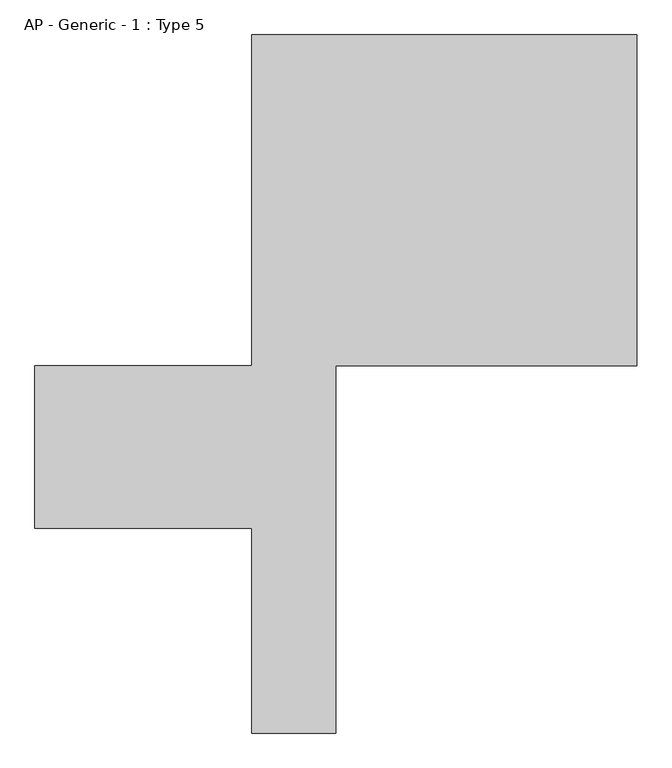
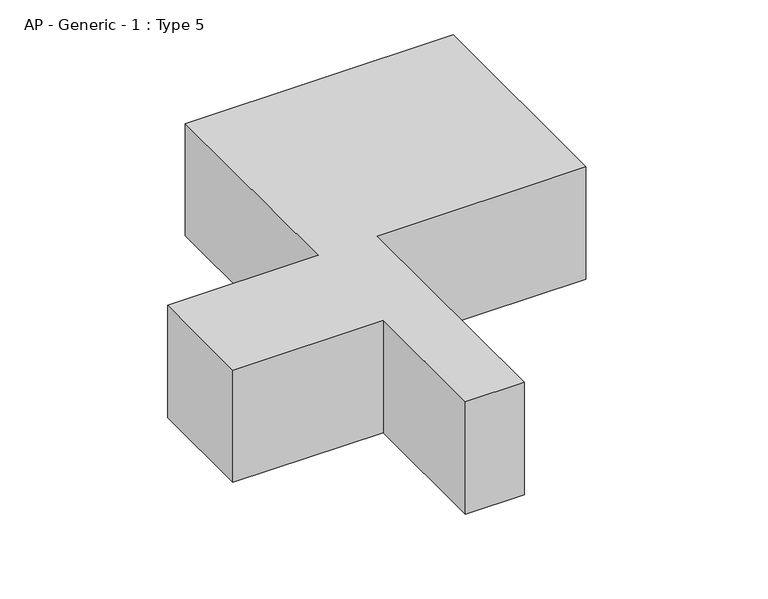
"""IFC4 building model written with IfcOpenShell, lengths in millimetres: proxy geometry, AP - Generic - 1 : Type 5."""

from ifc_helpers import new_model, si_unit, origin, origin_with_axes, place, context, project, spatial, polyline, outline, extrude, source, transform, mapped, element, save


def ap_generic_1_type_5_80fd2f2f(model_context):
    return source(origin(), model_context, "Body", "SweptSolid", [
        extrude(outline(polyline([(3200.0, 4100.0), (3200.0, 1350.0), (700.0, 1350.0), (700.0, -1700.0), (0.0, -1700.0), (0.0, 0.0), (-1800.0, 0.0), (-1800.0, 1350.0), (0.0, 1350.0), (0.0, 4100.0), (3200.0, 4100.0)])), origin_with_axes(), (0.0, 0.0, 1.0), 1420.0),
    ])


if __name__ == "__main__":
    model = new_model("IFC4")
    model_context = context("Model", 3, world=origin())
    ifc_project = project(units=[si_unit("LENGTHUNIT", "METRE", prefix="MILLI")], contexts=[model_context])
    site = spatial("IfcSite", under=ifc_project)
    building = spatial("IfcBuilding", under=site)
    placement = place(None, origin())
    ap_generic_1_type_5_shape = ap_generic_1_type_5_80fd2f2f(model_context)
    element("IfcBuildingElementProxy", 1, Name="AP - Generic - 1 : Type 5", ObjectType="AP - Generic - 1 : Type 5", at=placement, inside=building, context=model_context, shape_type="MappedRepresentation", body=[
        mapped(ap_generic_1_type_5_shape, transform((0.0, 0.0, 0.0), x_axis=(1.0, 0.0, 0.0), y_axis=(0.0, 1.0, 0.0), z_axis=(0.0, 0.0, 1.0))),
    ])
    save(model, "model.ifc")
